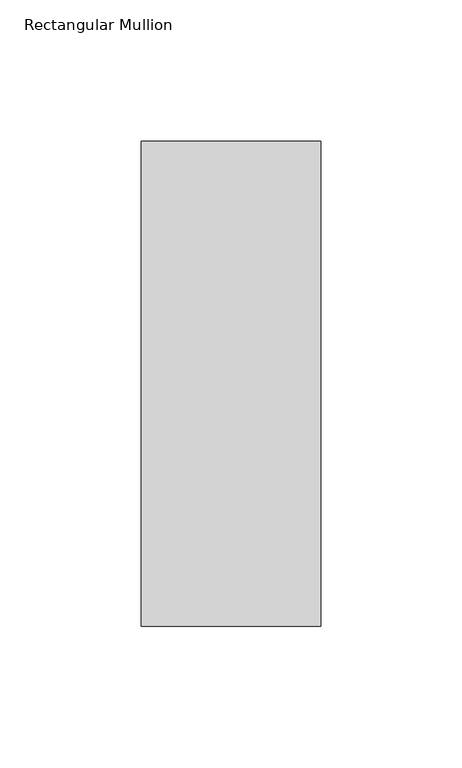
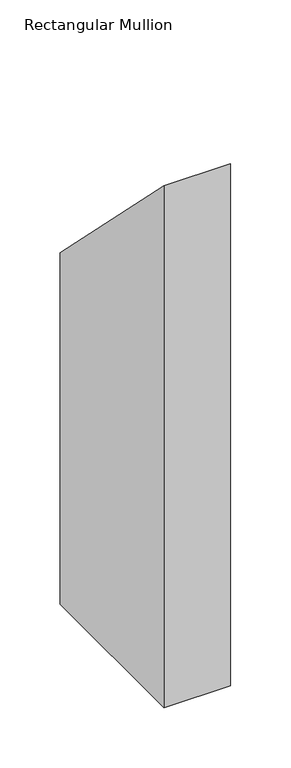
"""IFC4 building model written with IfcOpenShell, lengths in millimetres: member geometry, Rectangular Mullion."""

from ifc_helpers import new_model, si_unit, frame, origin, place, context, project, spatial, polyline, outline, extrude, source, transform, mapped, element, save


def rectangular_mullion_2a59d87f(model_context):
    return source(origin(), model_context, "Body", "SweptSolid", [
        extrude(outline(polyline([(50.8091913, -50.8091913), (222.5381312, -222.5381312), (222.5381312, -577.81825), (50.8091913, -577.81825), (50.8091913, -50.8091913)])), frame((-63.4999996, 0.0, 0.0), z_axis=(1.0, 0.0, 0.0), x_axis=(0.0, 1.0, 0.0)), (0.0, 0.0, 1.0), 63.4999995),
    ])


if __name__ == "__main__":
    model = new_model("IFC4")
    model_context = context("Model", 3, world=origin())
    ifc_project = project(units=[si_unit("LENGTHUNIT", "METRE", prefix="MILLI")], contexts=[model_context])
    site = spatial("IfcSite", under=ifc_project)
    building = spatial("IfcBuilding", under=site)
    placement = place(None, origin())
    rectangular_mullion_shape = rectangular_mullion_2a59d87f(model_context)
    element("IfcMember", 1, ObjectType="Rectangular Mullion", at=placement, inside=building, context=model_context, shape_type="MappedRepresentation", body=[
        mapped(rectangular_mullion_shape, transform((0.0, 0.0, 0.0), x_axis=(1.0, 0.0, 0.0), y_axis=(0.0, 1.0, 0.0), z_axis=(0.0, 0.0, 1.0))),
    ])
    save(model, "model.ifc")
